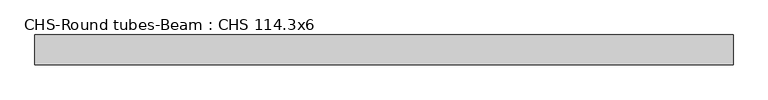
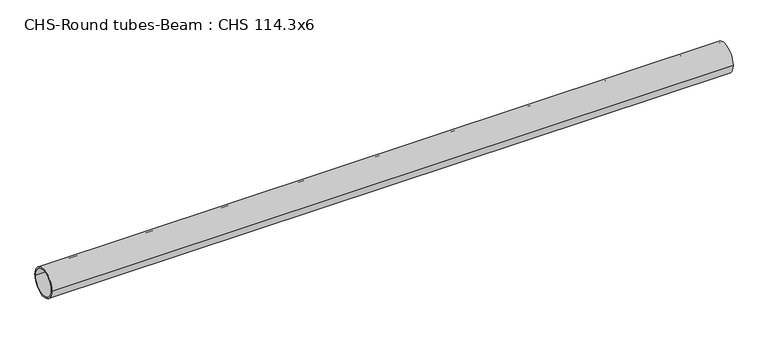
"""IFC4 building model written with IfcOpenShell, lengths in millimetres: beam geometry, CHS-Round tubes-Beam : CHS 114.3x6."""

from ifc_helpers import new_model, si_unit, point, frame, origin, origin_2d, place, context, project, spatial, circle_curve, trimmed, segment, composite_curve, outline, extrude, source, transform, mapped, element, save


def chs_round_tubes_beam_chs_114_3x6_2c2955f7(model_context):
    return source(origin(), model_context, "Body", "SweptSolid", [
        extrude(outline(composite_curve([segment(trimmed(circle_curve(origin_2d(), 57.15), [point((57.15, 0.0))], [point((-57.15, 0.0))], False, "CARTESIAN"), True, "CONTINUOUS"), segment(trimmed(circle_curve(origin_2d(), 57.15), [point((-57.15, 0.0))], [point((57.15, 0.0))], False, "CARTESIAN"), True, "CONTINUOUS")], self_intersect=False), holes=[composite_curve([segment(trimmed(circle_curve(origin_2d(), 51.15), [point((51.15, 0.0))], [point((-51.15, 0.0))], True, "CARTESIAN"), True, "CONTINUOUS"), segment(trimmed(circle_curve(origin_2d(), 51.15), [point((-51.15, 0.0))], [point((51.15, 0.0))], True, "CARTESIAN"), True, "CONTINUOUS")], self_intersect=False)]), frame((-1331.9730733, 0.0, 0.0), z_axis=(1.0, 0.0, 0.0), x_axis=(0.0, 1.0, 0.0)), (0.0, 0.0, 1.0), 2672.0920215),
    ])


if __name__ == "__main__":
    model = new_model("IFC4")
    model_context = context("Model", 3, world=origin())
    ifc_project = project(units=[si_unit("LENGTHUNIT", "METRE", prefix="MILLI")], contexts=[model_context])
    site = spatial("IfcSite", under=ifc_project)
    building = spatial("IfcBuilding", under=site)
    placement = place(None, origin())
    chs_round_tubes_beam_chs_114_3x6_shape = chs_round_tubes_beam_chs_114_3x6_2c2955f7(model_context)
    element("IfcBeam", 1, ObjectType="CHS-Round tubes-Beam : CHS 114.3x6", at=placement, inside=building, context=model_context, shape_type="MappedRepresentation", body=[
        mapped(chs_round_tubes_beam_chs_114_3x6_shape, transform((0.0, 0.0, 0.0), x_axis=(1.0, 0.0, 0.0), y_axis=(0.0, 1.0, 0.0), z_axis=(0.0, 0.0, 1.0))),
    ])
    save(model, "model.ifc")
